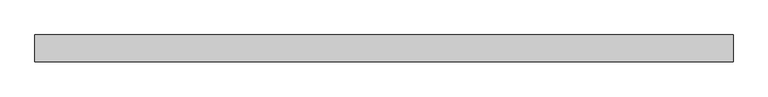
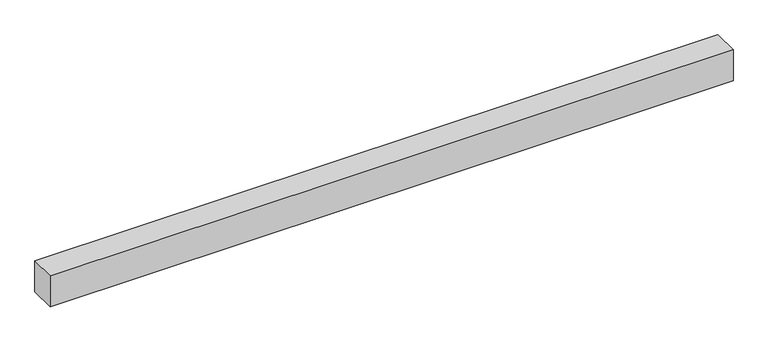
"""IFC4 building model written with IfcOpenShell, lengths in millimetres: proxy geometry."""

from ifc_helpers import new_model, si_unit, origin, origin_with_axes, place, context, project, spatial, polyline, outline, extrude, source, transform, mapped, element, save


def generic_models_316cc1b8(model_context):
    return source(origin(), model_context, "Body", "SweptSolid", [
        extrude(outline(polyline([(2081.9040124, -40.0), (0.0, -40.0), (0.0, 40.0), (2081.9040124, 40.0), (2081.9040124, -40.0)])), origin_with_axes(), (0.0, 0.0, 1.0), 100.0),
    ])


if __name__ == "__main__":
    model = new_model("IFC4")
    model_context = context("Model", 3, world=origin())
    ifc_project = project(units=[si_unit("LENGTHUNIT", "METRE", prefix="MILLI")], contexts=[model_context])
    site = spatial("IfcSite", under=ifc_project)
    building = spatial("IfcBuilding", under=site)
    placement = place(None, origin())
    generic_models_shape = generic_models_316cc1b8(model_context)
    element("IfcBuildingElementProxy", 1, Name="Generic Models", at=placement, inside=building, context=model_context, shape_type="MappedRepresentation", body=[
        mapped(generic_models_shape, transform((0.0, 0.0, 0.0), x_axis=(1.0, 0.0, 0.0), y_axis=(0.0, 1.0, 0.0), z_axis=(0.0, 0.0, 1.0))),
    ])
    save(model, "model.ifc")
